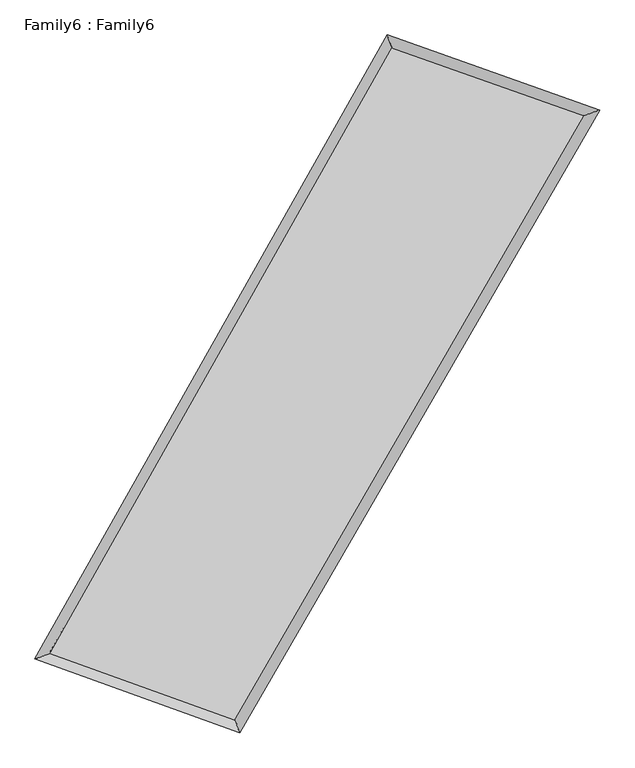
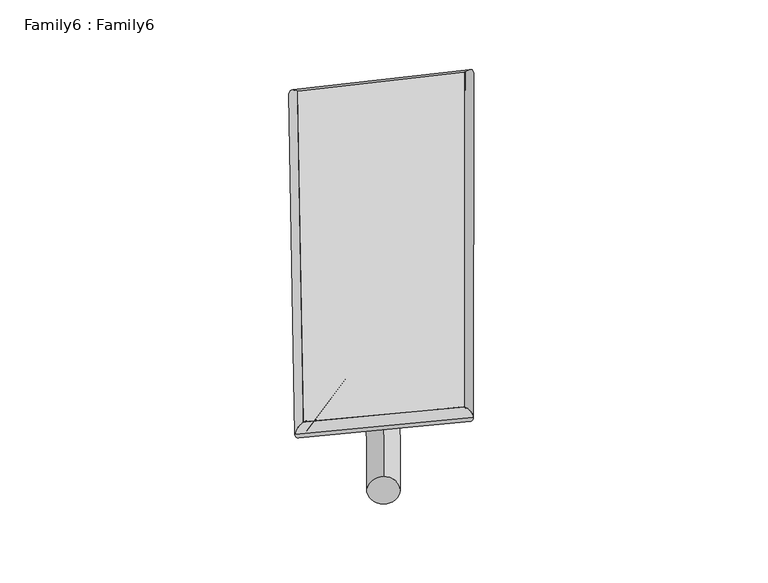
"""IFC4 building model written with IfcOpenShell, lengths in millimetres: plate geometry, Family6 : Family6."""

from ifc_helpers import new_model, si_unit, point, frame, origin, origin_2d, place, context, project, spatial, circle_curve, ellipse_curve, trimmed, segment, composite_curve, outline, extrude, source, transform, mapped, element, save
from ifc_brep_helpers import plane_surface, cylinder_surface, spline_surface, advanced_brep


def family6_family6_99761c9f(model_context):
    return source(origin(), model_context, "Body", "SolidModel", [
        extrude(outline(composite_curve([segment(trimmed(circle_curve(origin_2d(), 76.2), [point((-75.4341514, -10.7763073))], [point((75.4341514, 10.7763073))], False, "CARTESIAN"), True, "CONTINUOUS"), segment(trimmed(circle_curve(origin_2d(), 76.2), [point((75.4341514, 10.7763073))], [point((-75.4341514, -10.7763073))], False, "CARTESIAN"), True, "CONTINUOUS")], self_intersect=False)), frame((9144.0, 9144.0, 0.0), z_axis=(0.6844338251665032, 0.6823932988823624, 0.2566899386582873), x_axis=(-0.6733702733404482, 0.7266398509143345, -0.13626078689264853)), (0.0, 0.0, 1.0), 5991.7809546),
        extrude(outline(composite_curve([segment(trimmed(circle_curve(origin_2d(), 76.2), [point((-53.8815367, 53.8815367))], [point((53.8815367, -53.8815367))], False, "CARTESIAN"), True, "CONTINUOUS"), segment(trimmed(circle_curve(origin_2d(), 76.2), [point((53.8815367, -53.8815367))], [point((-53.8815367, 53.8815367))], False, "CARTESIAN"), True, "CONTINUOUS")], self_intersect=False)), frame((9144.0, 9144.0, 0.0), z_axis=(-0.678262541342999, -0.6879763429533696, 0.25816366232962384), x_axis=(0.6324921914326797, -0.36775463499549543, 0.6816965279477493)), (0.0, 0.0, 1.0), 5958.758098),
        extrude(outline(composite_curve([segment(trimmed(circle_curve(origin_2d(), 76.2), [point((-53.8815367, -53.8815367))], [point((53.8815367, 53.8815367))], False, "CARTESIAN"), True, "CONTINUOUS"), segment(trimmed(circle_curve(origin_2d(), 76.2), [point((53.8815367, 53.8815367))], [point((-53.8815367, -53.8815367))], False, "CARTESIAN"), True, "CONTINUOUS")], self_intersect=False)), frame((9144.0, 9144.0, 0.0), z_axis=(0.21225340069086857, 0.9374621244876865, 0.2758863154384338), x_axis=(-0.8506644786221124, 0.316199173234939, -0.41998574696781177)), (0.0, 0.0, 1.0), 5469.4162939),
        extrude(outline(composite_curve([segment(trimmed(circle_curve(origin_2d(), 76.2), [point((-75.4341514, 10.7763073))], [point((75.4341514, -10.7763073))], False, "CARTESIAN"), True, "CONTINUOUS"), segment(trimmed(circle_curve(origin_2d(), 76.2), [point((75.4341514, -10.7763073))], [point((-75.4341514, 10.7763073))], False, "CARTESIAN"), True, "CONTINUOUS")], self_intersect=False)), frame((9144.0, 9144.0, 0.0), z_axis=(-0.22257684398811092, -0.9351075191222007, 0.2757416838300213), x_axis=(0.8926502689654153, -0.08176010517520962, 0.443272808231805)), (0.0, 0.0, 1.0), 5470.3169763),
        advanced_brep(
        [(4881.0554217, 4962.2171024, 1536.6826471), (4881.0362989, 4962.1846697, 1540.9362553), (5323.7397567, 5126.813688, 1539.9869799), (10374.7898314, 14085.0580681, 1511.4450969), (10235.0145849, 14457.683169, 1506.4291209), (5323.7588796, 5126.8461207, 1535.7333717), (13021.2413843, 13150.1650057, 1537.6323932), (13468.7137323, 13315.3373379, 1538.4273782), (7858.1915927, 4215.1711909, 1508.8633483), (7994.6766309, 3842.1597361, 1507.92548)],
        [
            (0, 1, ellipse_curve(frame((5102.3975892, 5044.5153952, 1538.3348135), z_axis=(-0.34853579671788953, 0.9372788626444856, 0.0055796098506469705), x_axis=(-0.9372445849798696, -0.34857272857671406, 0.008345107458657203)), 236.1916466, 152.4)),
            (1, 2, ellipse_curve(frame((5102.3975892, 5044.5153952, 1538.3348135), z_axis=(-0.34853579671788953, 0.9372788626444856, 0.0055796098506469705), x_axis=(-0.9372445849798696, -0.34857272857671406, 0.008345107458657203)), 236.1916466, 152.4)),
            (2, 3),
            (3, 4, ellipse_curve(frame((10304.9022082, 14271.3706186, 1508.9371089), z_axis=(-0.9362679227368618, -0.35126067708748443, -0.004279437584984458), x_axis=(0.3512106229402714, -0.9362491726289687, 0.009411965016829648)), 199.0055795, 152.4)),
            (4, 0),
            (2, 5, ellipse_curve(frame((5102.3975892, 5044.5153952, 1538.3348135), z_axis=(-0.34853579671788953, 0.9372788626444856, 0.0055796098506469705), x_axis=(-0.9372445849798696, -0.34857272857671406, 0.008345107458657203)), 236.1916466, 152.4)),
            (5, 0, ellipse_curve(frame((5102.3975892, 5044.5153952, 1538.3348135), z_axis=(-0.34853579671788953, 0.9372788626444856, 0.0055796098506469705), x_axis=(-0.9372445849798696, -0.34857272857671406, 0.008345107458657203)), 236.1916466, 152.4)),
            (4, 3, ellipse_curve(frame((10304.9022082, 14271.3706186, 1508.9371089), z_axis=(-0.9362679227368618, -0.35126067708748443, -0.004279437584984458), x_axis=(0.3512106229402714, -0.9362491726289687, 0.009411965016829648)), 199.0055795, 152.4)),
            (3, 6),
            (6, 7, ellipse_curve(frame((13244.9775583, 13232.7511718, 1538.0298857), z_axis=(-0.34627256254100147, 0.938119986536637, -0.00511891509872631), x_axis=(-0.9380892126744003, -0.3463041830572964, -0.007876665597975504)), 238.4988197, 152.4)),
            (7, 4),
            (7, 6, ellipse_curve(frame((13244.9775583, 13232.7511718, 1538.0298857), z_axis=(-0.34627256254100147, 0.938119986536637, -0.00511891509872631), x_axis=(-0.9380892126744003, -0.3463041830572964, -0.007876665597975504)), 238.4988197, 152.4)),
            (6, 8),
            (8, 9, ellipse_curve(frame((7926.4341118, 4028.6654635, 1508.3944141), z_axis=(0.9390945897684565, 0.34362685622241196, -0.004683497658381229), x_axis=(-0.34356983052021933, 0.9390743942824692, 0.009952565464309785)), 198.6032095, 152.4)),
            (9, 7),
            (9, 8, ellipse_curve(frame((7926.4341118, 4028.6654635, 1508.3944141), z_axis=(0.9390945897684565, 0.34362685622241196, -0.004683497658381229), x_axis=(-0.34356983052021933, 0.9390743942824692, 0.009952565464309785)), 198.6032095, 152.4)),
            (8, 5),
            (1, 9),
        ],
        [
            cylinder_surface(frame((5102.3975892, 5044.5153952, 1538.3348135), z_axis=(-0.4911482592384893, -0.8710715728506402, 0.002775323136847501), x_axis=(-0.8710072676319562, 0.49106699388123604, -0.014126119522361891)), 152.4),
            cylinder_surface(frame((10304.9022082, 14271.3706186, 1508.9371089), z_axis=(-0.9428540612190637, 0.33307532861691413, -0.009329775423520262), x_axis=(0.33315329601558297, 0.942833250779646, -0.008622214230630951)), 152.4),
            cylinder_surface(frame((13244.9775583, 13232.7511718, 1538.0298857), z_axis=(0.5003198918757097, 0.8658361471868656, 0.002787833940975654), x_axis=(0.8658403126212711, -0.5003198918757097, -0.0007475515886104664)), 152.4),
            cylinder_surface(frame((7926.4341118, 4028.6654635, 1508.3944141), z_axis=(0.9409258544985244, -0.33846568816568146, -0.009975683974229422), x_axis=(-0.33842848771096506, -0.9409774213871227, 0.005258435633409658)), 152.4),
        ],
        [
            (0, [[1, 2, 3, 4, 5]]),
            (0, [[6, 7, -5, 8, -3]]),
            (1, [[-4, 9, 10, 11]]),
            (1, [[-8, -11, 12, -9]]),
            (2, [[-10, 13, 14, 15]]),
            (2, [[-12, -15, 16, -13]]),
            (3, [[-14, 17, -6, -2, 18]]),
            (3, [[-16, -18, -1, -7, -17]]),
        ],
    ),
        extrude(outline(composite_curve([segment(trimmed(circle_curve(origin_2d(), 304.8), [point((-1e-07, 304.8))], [point((0.0, -304.8))], False, "CARTESIAN"), True, "CONTINUOUS"), segment(trimmed(circle_curve(origin_2d(), 304.8), [point((0.0, -304.8))], [point((-1e-07, 304.8))], False, "CARTESIAN"), True, "CONTINUOUS")], self_intersect=False)), frame((11793.9686175, 13763.213339, -0.0128738), z_axis=(-0.4976129910050986, -0.8673991648469094, 2.417446343242797e-06), x_axis=(-0.8673991648500389, 0.49761299100509854, -6.44186164426182e-07)), (0.0, 0.0, 1.0), 10650.7212046),
        advanced_brep(
        [(5102.3975892, 5044.5153952, 1538.3348135), (7926.4341118, 4028.6654635, 1508.3944141), (7926.4279069, 4028.6666304, 1660.794414), (5102.3913843, 5044.5165621, 1690.7348134), (13244.9775583, 13232.7511718, 1538.0298857), (13244.9713534, 13232.7523387, 1690.4298856), (10304.9022082, 14271.3706186, 1508.9371089), (10304.8960032, 14271.3717855, 1661.3371088)],
        [
            (0, 1),
            (1, 2),
            (2, 3),
            (3, 0),
            (1, 4),
            (4, 5),
            (5, 2),
            (4, 6),
            (6, 7),
            (7, 5),
            (6, 0),
            (3, 7),
        ],
        [
            plane_surface(frame((6514.4158505, 4536.5904294, 1523.3646138), z_axis=(-0.33848259223251087, -0.9409726535411708, -6.576326072563806e-06), x_axis=(0.9409258544985242, -0.338465688165682, -0.009975683974229415))),
            plane_surface(frame((10585.7058351, 8630.7083177, 1523.2121499), z_axis=(0.8658394566778935, -0.5003219300932281, 3.908346480370776e-05), x_axis=(0.50031989187571, 0.8658361471868655, 0.002787833940975663))),
            plane_surface(frame((11774.9398833, 13752.0608952, 1523.4834973), z_axis=(0.3330897699859191, 0.9428951188178387, 6.342037848959536e-06), x_axis=(-0.9428540612190633, 0.3330753286169146, -0.00932977542352026))),
            plane_surface(frame((7703.6498987, 9657.9430069, 1523.6359612), z_axis=(-0.8710749803484802, 0.4911500555555143, -3.922640018376748e-05), x_axis=(-0.4911482592384891, -0.8710715728506402, 0.0027753231368475035))),
            spline_surface(1, 1, [[(7926.4279069, 4028.6666304, 1660.794414), (5102.3913843, 5044.5165621, 1690.7348134)], [(13244.9713534, 13232.7523387, 1690.4298856), (10304.8960032, 14271.3717855, 1661.3371088)]], [2, 2], [2, 2], [0.0, 1.0], [0.0, 1.0]),
            spline_surface(1, 1, [[(10304.9022082, 14271.3706186, 1508.9371089), (5102.3975892, 5044.5153952, 1538.3348135)], [(13244.9775583, 13232.7511718, 1538.0298857), (7926.4341118, 4028.6654635, 1508.3944141)]], [2, 2], [2, 2], [0.0, 1.0], [0.0, 1.0]),
        ],
        [
            (0, [[1, 2, 3, 4]]),
            (1, [[5, 6, 7, -2]]),
            (2, [[8, 9, 10, -6]]),
            (3, [[11, -4, 12, -9]]),
            (4, [[-3, -7, -10, -12]]),
            (5, [[-11, -8, -5, -1]]),
        ],
    ),
    ])


if __name__ == "__main__":
    model = new_model("IFC4")
    model_context = context("Model", 3, world=origin())
    ifc_project = project(units=[si_unit("LENGTHUNIT", "METRE", prefix="MILLI")], contexts=[model_context])
    site = spatial("IfcSite", under=ifc_project)
    building = spatial("IfcBuilding", under=site)
    placement = place(None, origin())
    family6_family6_shape = family6_family6_99761c9f(model_context)
    element("IfcPlate", 1, ObjectType="Family6 : Family6", at=placement, inside=building, context=model_context, shape_type="MappedRepresentation", body=[
        mapped(family6_family6_shape, transform((0.0, 0.0, 0.0), x_axis=(1.0, 0.0, 0.0), y_axis=(0.0, 1.0, 0.0), z_axis=(0.0, 0.0, 1.0))),
    ])
    save(model, "model.ifc")
